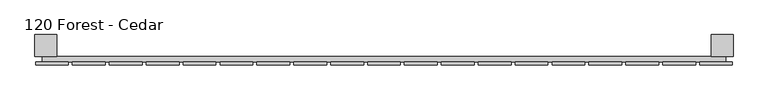
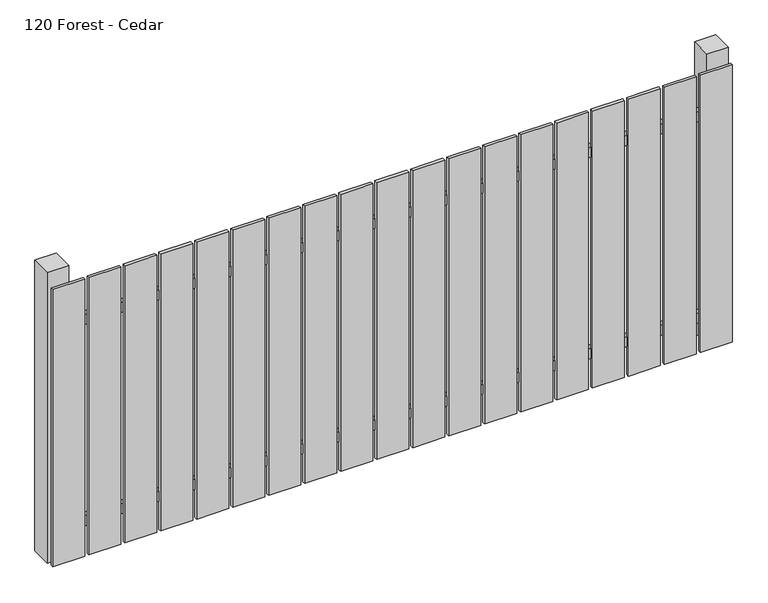
"""IFC4 building model written with IfcOpenShell, lengths in millimetres: railing geometry, 120 Forest - Cedar."""

from ifc_helpers import new_model, si_unit, frame, origin, origin_with_axes, place, context, project, spatial, polyline, outline, extrude, source, transform, mapped, element, save


def railing_120_forest_cedar_f29a55b5(model_context):
    return source(origin(), model_context, "Body", "SweptSolid", [
        extrude(outline(polyline([(6087.4299228, -81939.0267127), (6087.4299228, -81919.0267127), (8587.4299228, -81919.0267127), (8587.4299228, -81939.0267127), (6087.4299228, -81939.0267127)])), frame((0.0, 0.0, 110.0), z_axis=(0.0, 0.0, 1.0), x_axis=(1.0, 0.0, 0.0)), (0.0, 0.0, 1.0), 40.0),
        extrude(outline(polyline([(6087.4299228, -81939.0267127), (6087.4299228, -81919.0267127), (8587.4299228, -81919.0267127), (8587.4299228, -81939.0267127), (6087.4299228, -81939.0267127)])), frame((0.0, 0.0, 910.0), z_axis=(0.0, 0.0, 1.0), x_axis=(1.0, 0.0, 0.0)), (0.0, 0.0, 1.0), 40.0),
        extrude(outline(polyline([(8492.4299228, -81950.5267127), (8492.4299228, -81939.5267127), (8612.4299228, -81939.5267127), (8612.4299228, -81950.5267127), (8492.4299228, -81950.5267127)])), origin_with_axes(), (0.0, 0.0, 1.0), 1100.0),
        extrude(outline(polyline([(8357.4299228, -81950.5267127), (8357.4299228, -81939.5267127), (8477.4299228, -81939.5267127), (8477.4299228, -81950.5267127), (8357.4299228, -81950.5267127)])), origin_with_axes(), (0.0, 0.0, 1.0), 1100.0),
        extrude(outline(polyline([(8222.4299228, -81950.5267127), (8222.4299228, -81939.5267127), (8342.4299228, -81939.5267127), (8342.4299228, -81950.5267127), (8222.4299228, -81950.5267127)])), origin_with_axes(), (0.0, 0.0, 1.0), 1100.0),
        extrude(outline(polyline([(8087.4299228, -81950.5267127), (8087.4299228, -81939.5267127), (8207.4299228, -81939.5267127), (8207.4299228, -81950.5267127), (8087.4299228, -81950.5267127)])), origin_with_axes(), (0.0, 0.0, 1.0), 1100.0),
        extrude(outline(polyline([(7952.4299228, -81950.5267127), (7952.4299228, -81939.5267127), (8072.4299228, -81939.5267127), (8072.4299228, -81950.5267127), (7952.4299228, -81950.5267127)])), origin_with_axes(), (0.0, 0.0, 1.0), 1100.0),
        extrude(outline(polyline([(7817.4299228, -81950.5267127), (7817.4299228, -81939.5267127), (7937.4299228, -81939.5267127), (7937.4299228, -81950.5267127), (7817.4299228, -81950.5267127)])), origin_with_axes(), (0.0, 0.0, 1.0), 1100.0),
        extrude(outline(polyline([(7682.4299228, -81950.5267127), (7682.4299228, -81939.5267127), (7802.4299228, -81939.5267127), (7802.4299228, -81950.5267127), (7682.4299228, -81950.5267127)])), origin_with_axes(), (0.0, 0.0, 1.0), 1100.0),
        extrude(outline(polyline([(7547.4299228, -81950.5267127), (7547.4299228, -81939.5267127), (7667.4299228, -81939.5267127), (7667.4299228, -81950.5267127), (7547.4299228, -81950.5267127)])), origin_with_axes(), (0.0, 0.0, 1.0), 1100.0),
        extrude(outline(polyline([(7412.4299228, -81950.5267127), (7412.4299228, -81939.5267127), (7532.4299228, -81939.5267127), (7532.4299228, -81950.5267127), (7412.4299228, -81950.5267127)])), origin_with_axes(), (0.0, 0.0, 1.0), 1100.0),
        extrude(outline(polyline([(7277.4299228, -81950.5267127), (7277.4299228, -81939.5267127), (7397.4299228, -81939.5267127), (7397.4299228, -81950.5267127), (7277.4299228, -81950.5267127)])), origin_with_axes(), (0.0, 0.0, 1.0), 1100.0),
        extrude(outline(polyline([(7142.4299228, -81950.5267127), (7142.4299228, -81939.5267127), (7262.4299228, -81939.5267127), (7262.4299228, -81950.5267127), (7142.4299228, -81950.5267127)])), origin_with_axes(), (0.0, 0.0, 1.0), 1100.0),
        extrude(outline(polyline([(7007.4299228, -81950.5267127), (7007.4299228, -81939.5267127), (7127.4299228, -81939.5267127), (7127.4299228, -81950.5267127), (7007.4299228, -81950.5267127)])), origin_with_axes(), (0.0, 0.0, 1.0), 1100.0),
        extrude(outline(polyline([(6872.4299228, -81950.5267127), (6872.4299228, -81939.5267127), (6992.4299228, -81939.5267127), (6992.4299228, -81950.5267127), (6872.4299228, -81950.5267127)])), origin_with_axes(), (0.0, 0.0, 1.0), 1100.0),
        extrude(outline(polyline([(6737.4299228, -81950.5267127), (6737.4299228, -81939.5267127), (6857.4299228, -81939.5267127), (6857.4299228, -81950.5267127), (6737.4299228, -81950.5267127)])), origin_with_axes(), (0.0, 0.0, 1.0), 1100.0),
        extrude(outline(polyline([(6602.4299228, -81950.5267127), (6602.4299228, -81939.5267127), (6722.4299228, -81939.5267127), (6722.4299228, -81950.5267127), (6602.4299228, -81950.5267127)])), origin_with_axes(), (0.0, 0.0, 1.0), 1100.0),
        extrude(outline(polyline([(6467.4299228, -81950.5267127), (6467.4299228, -81939.5267127), (6587.4299228, -81939.5267127), (6587.4299228, -81950.5267127), (6467.4299228, -81950.5267127)])), origin_with_axes(), (0.0, 0.0, 1.0), 1100.0),
        extrude(outline(polyline([(6332.4299228, -81950.5267127), (6332.4299228, -81939.5267127), (6452.4299228, -81939.5267127), (6452.4299228, -81950.5267127), (6332.4299228, -81950.5267127)])), origin_with_axes(), (0.0, 0.0, 1.0), 1100.0),
        extrude(outline(polyline([(6197.4299228, -81950.5267127), (6197.4299228, -81939.5267127), (6317.4299228, -81939.5267127), (6317.4299228, -81950.5267127), (6197.4299228, -81950.5267127)])), origin_with_axes(), (0.0, 0.0, 1.0), 1100.0),
        extrude(outline(polyline([(6062.4299228, -81950.5267127), (6062.4299228, -81939.5267127), (6182.4299228, -81939.5267127), (6182.4299228, -81950.5267127), (6062.4299228, -81950.5267127)])), origin_with_axes(), (0.0, 0.0, 1.0), 1100.0),
        extrude(outline(polyline([(8534.9299228, -81839.0267127), (8614.9299228, -81839.0267127), (8614.9299228, -81919.0267127), (8534.9299228, -81919.0267127), (8534.9299228, -81839.0267127)])), frame((0.0, 0.0, -4.0), z_axis=(0.0, 0.0, 1.0), x_axis=(1.0, 0.0, 0.0)), (0.0, 0.0, 1.0), 1154.0),
        extrude(outline(polyline([(6059.9299228, -81839.0267127), (6139.9299228, -81839.0267127), (6139.9299228, -81919.0267127), (6059.9299228, -81919.0267127), (6059.9299228, -81839.0267127)])), frame((0.0, 0.0, -4.0), z_axis=(0.0, 0.0, 1.0), x_axis=(1.0, 0.0, 0.0)), (0.0, 0.0, 1.0), 1154.0),
    ])


if __name__ == "__main__":
    model = new_model("IFC4")
    model_context = context("Model", 3, world=origin())
    ifc_project = project(units=[si_unit("LENGTHUNIT", "METRE", prefix="MILLI")], contexts=[model_context])
    site = spatial("IfcSite", under=ifc_project)
    building = spatial("IfcBuilding", under=site)
    placement = place(None, origin())
    railing_120_forest_cedar_shape = railing_120_forest_cedar_f29a55b5(model_context)
    element("IfcRailing", 1, ObjectType="120 Forest - Cedar", at=placement, inside=building, context=model_context, shape_type="MappedRepresentation", body=[
        mapped(railing_120_forest_cedar_shape, transform((0.0, 0.0, 0.0), x_axis=(1.0, 0.0, 0.0), y_axis=(0.0, 1.0, 0.0), z_axis=(0.0, 0.0, 1.0))),
    ])
    save(model, "model.ifc")
